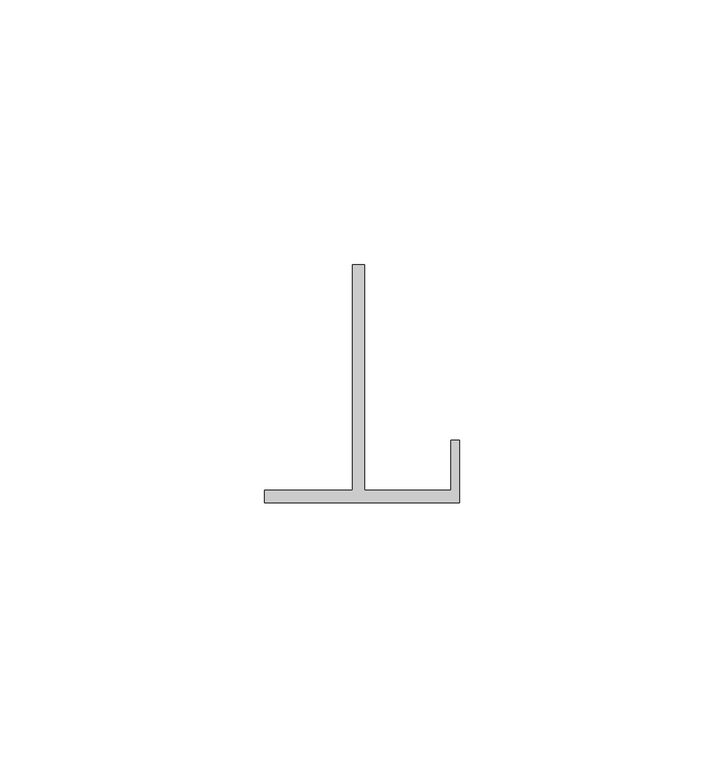
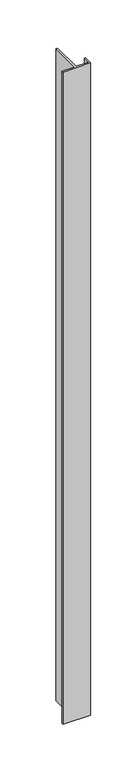
"""IFC4 building model written with IfcOpenShell, lengths in millimetres: proxy geometry."""

import ifcopenshell
import ifcopenshell.guid

model = None  # the IFC model being written
_history = None  # IfcOwnerHistory: only IFC2X3 demands one
_inside = {}  # id of a spatial element -> (the spatial element, [elements in it])
_under = {}  # id of a project, library or spatial element -> (it, [spatial elements below it])
_declared = {}  # id of a project -> (the project, [libraries it declares])
_typed = {}  # id of a type object -> (the type object, [elements of that type])
_made_of = {}  # id of a material, layer set ... -> (it, [elements and type objects made of it])


def new_model(schema):
    """Start an empty IFC model of exactly this schema.

    Asked for "IFC4X3", IfcOpenShell would pick the latest addendum, in which some entities
    have other attributes; the version numbers below select the first issue.
    IFC2X3 requires an IfcOwnerHistory on every rooted entity: one is made here for all.
    """
    global model, _history
    if schema == "IFC4X3":
        model = ifcopenshell.file(schema_version=(4, 3, 0, 0))
    else:
        model = ifcopenshell.file(schema=schema)
    _inside.clear()
    _under.clear()
    _declared.clear()
    _typed.clear()
    _made_of.clear()
    _history = None
    if model.schema == "IFC2X3":
        org = make("IfcOrganization", Name="unknown")
        user = make(
            "IfcPersonAndOrganization",
            ThePerson=make("IfcPerson", FamilyName="unknown"),
            TheOrganization=org,
        )
        app = make(
            "IfcApplication",
            ApplicationDeveloper=org,
            Version="unknown",
            ApplicationFullName="unknown",
            ApplicationIdentifier="unknown",
        )
        _history = make(
            "IfcOwnerHistory",
            OwningUser=user,
            OwningApplication=app,
            ChangeAction="ADDED",
            CreationDate=0,
        )
    return model


def make(cls, **values):
    """One entity of the class cls with the attributes given. An attribute that is None is left unset."""
    return model.create_entity(
        cls, **{name: value for name, value in values.items() if value is not None}
    )


def rooted(cls, **values):
    """An entity with a GlobalId (a new one), such as an element, a storey or a relation."""
    return make(cls, GlobalId=ifcopenshell.guid.new(), OwnerHistory=_history, **values)


def si_unit(unit_type, name, prefix=None):
    """IfcSIUnit, for example si_unit("LENGTHUNIT", "METRE", prefix="MILLI")."""
    return make("IfcSIUnit", UnitType=unit_type, Prefix=prefix, Name=name)


def assignment(units):
    """IfcUnitAssignment: the units of a project."""
    return None if units is None else make("IfcUnitAssignment", Units=units)


def point(xyz):
    """IfcCartesianPoint."""
    return None if xyz is None else make("IfcCartesianPoint", Coordinates=xyz)


def direction(xyz):
    """IfcDirection."""
    return None if xyz is None else make("IfcDirection", DirectionRatios=xyz)


def frame(location, z_axis=None, x_axis=None):
    """IfcAxis2Placement3D, a coordinate frame: its origin and axes. An axis left out is left unset."""
    return make(
        "IfcAxis2Placement3D",
        Location=point(location),
        Axis=direction(z_axis),
        RefDirection=direction(x_axis),
    )


def origin():
    """The frame at (0, 0, 0) with its axes left unset."""
    return frame((0.0, 0.0, 0.0))


def place(relative_to, where):
    """IfcLocalPlacement: puts the frame where relative to a parent placement (None: the world)."""
    return make(
        "IfcLocalPlacement", PlacementRelTo=relative_to, RelativePlacement=where
    )


def context(
    kind, dimensions, precision=None, world=None, true_north=None, identifier=None
):
    """IfcGeometricRepresentationContext, for example the 3D "Model" context."""
    return make(
        "IfcGeometricRepresentationContext",
        ContextIdentifier=identifier,
        ContextType=kind,
        CoordinateSpaceDimension=dimensions,
        Precision=precision,
        WorldCoordinateSystem=world,
        TrueNorth=true_north,
    )


def project(units=None, contexts=None):
    """IfcProject with its units and contexts."""
    return rooted(
        "IfcProject",
        Name="project",
        RepresentationContexts=contexts,
        UnitsInContext=assignment(units),
    )


def spatial(cls, under=None, at=None, **own):
    """A site, building, storey or space (cls), placed at a placement, below another one or the project."""
    s = rooted(cls, ObjectPlacement=at, **own)
    if under is not None:
        _under.setdefault(under.id(), (under, []))[1].append(s)
    return s


def polyline(points):
    """IfcPolyline through the points."""
    return make("IfcPolyline", Points=[point(p) for p in points])


def outline(outer, holes=None, kind="AREA"):
    """IfcArbitraryClosedProfileDef: a profile drawn as a closed curve; with holes, ...WithVoids."""
    if holes is None:
        return make("IfcArbitraryClosedProfileDef", ProfileType=kind, OuterCurve=outer)
    return make(
        "IfcArbitraryProfileDefWithVoids",
        ProfileType=kind,
        OuterCurve=outer,
        InnerCurves=holes,
    )


def extrude(swept, where, along, depth):
    """IfcExtrudedAreaSolid: the profile swept, set in the frame where, extruded along a direction by depth."""
    return make(
        "IfcExtrudedAreaSolid",
        SweptArea=swept,
        Position=where,
        ExtrudedDirection=direction(along),
        Depth=depth,
    )


def shape(context_of_items, identifier, shape_type, items):
    """IfcShapeRepresentation: the items that make up one representation, for example the "Body"."""
    return make(
        "IfcShapeRepresentation",
        ContextOfItems=context_of_items,
        RepresentationIdentifier=identifier,
        RepresentationType=shape_type,
        Items=items,
    )


def source(mapping_origin, context_of_items, identifier, shape_type, items):
    """IfcRepresentationMap: a shape defined once, which mapped items show again and again."""
    return make(
        "IfcRepresentationMap",
        MappingOrigin=mapping_origin,
        MappedRepresentation=shape(context_of_items, identifier, shape_type, items),
    )


def transform(
    local_origin,
    x_axis=None,
    y_axis=None,
    z_axis=None,
    scale=None,
    scale2=None,
    scale3=None,
    uniform=True,
):
    """IfcCartesianTransformationOperator3D, or its non-uniform kind. x_axis, y_axis, z_axis: its Axis1, 2, 3."""
    if uniform:
        return make(
            "IfcCartesianTransformationOperator3D",
            Axis1=direction(x_axis),
            Axis2=direction(y_axis),
            LocalOrigin=point(local_origin),
            Scale=scale,
            Axis3=direction(z_axis),
        )
    return make(
        "IfcCartesianTransformationOperator3DnonUniform",
        Axis1=direction(x_axis),
        Axis2=direction(y_axis),
        LocalOrigin=point(local_origin),
        Scale=scale,
        Axis3=direction(z_axis),
        Scale2=scale2,
        Scale3=scale3,
    )


def mapped(mapping_source, mapping_target):
    """IfcMappedItem: shows the shape of a source again, moved by a transform."""
    return make(
        "IfcMappedItem", MappingSource=mapping_source, MappingTarget=mapping_target
    )


def made_of(thing, what):
    """Note that an element or type object is made of a material, layer set ...; save() writes the relation."""
    if what is not None:
        _made_of.setdefault(what.id(), (what, []))[1].append(thing)
    return thing


def element(
    cls,
    number,
    at=None,
    inside=None,
    cuts=None,
    type_object=None,
    material=None,
    context=None,
    identifier="Body",
    shape_type=None,
    held_by="IfcProductDefinitionShape",
    body=None,
    shapes=None,
    **own,
):
    """One element of the class cls, such as IfcWall. Its Tag is "e" and its number.

    at: its placement. inside: the storey or other place that contains it. cuts: it is an
    opening in that element (IfcRelVoidsElement). A single representation is given by context,
    identifier, shape_type and body (its items); several are given by shapes. held_by: the class
    of the entity that holds the representations. save() writes the other relations.
    """
    e = rooted(cls, Tag="e%d" % number, ObjectPlacement=at, **own)
    if body is not None:
        shapes = [shape(context, identifier, shape_type, body)]
    if shapes is not None:
        e.Representation = make(held_by, Representations=shapes)
    if inside is not None:
        _inside.setdefault(inside.id(), (inside, []))[1].append(e)
    if cuts is not None:
        rooted(
            "IfcRelVoidsElement", RelatingBuildingElement=cuts, RelatedOpeningElement=e
        )
    if type_object is not None:
        _typed.setdefault(type_object.id(), (type_object, []))[1].append(e)
    return made_of(e, material)


def aggregate(whole, parts):
    """IfcRelAggregates: a whole, such as a stair, and the parts it consists of."""
    return rooted("IfcRelAggregates", RelatingObject=whole, RelatedObjects=parts)


def save(model, path):
    """Write the relations noted so far, then the file.

    IfcRelAggregates (storeys below a building ...), IfcRelContainedInSpatialStructure (elements
    in a storey), IfcRelDefinesByType, IfcRelAssociatesMaterial and IfcRelDeclares: one each for
    every whole, place, type object, material and project.
    """
    for whole, parts in _under.values():
        aggregate(whole, parts)
    for where, things in _inside.values():
        rooted(
            "IfcRelContainedInSpatialStructure",
            RelatedElements=things,
            RelatingStructure=where,
        )
    for kind, things in _typed.values():
        rooted("IfcRelDefinesByType", RelatedObjects=things, RelatingType=kind)
    for what, things in _made_of.values():
        rooted("IfcRelAssociatesMaterial", RelatedObjects=things, RelatingMaterial=what)
    for by, libraries in _declared.values():
        rooted("IfcRelDeclares", RelatingContext=by, RelatedDefinitions=libraries)
    model.write(path)


def generic_models_59b80601(model_context):
    return source(origin(), model_context, "Body", "SweptSolid", [
        extrude(outline(polyline([(37278.1942622, -23883.8740875), (37278.1942622, -23926.5682316), (37294.5094777, -23926.5682316), (37294.5094777, -23917.0382902), (37296.1105979, -23917.0382902), (37296.1105979, -23928.8554213), (37259.2295785, -23928.8554213), (37259.2295785, -23926.5682316), (37275.9069754, -23926.5682316), (37275.9069754, -23883.8740875), (37278.1942622, -23883.8740875)])), frame((0.0, 0.0, 1524.0), z_axis=(0.0, 0.0, 1.0), x_axis=(1.0, 0.0, 0.0)), (0.0, 0.0, 1.0), 914.4),
    ])


if __name__ == "__main__":
    model = new_model("IFC4")
    model_context = context("Model", 3, world=origin())
    ifc_project = project(units=[si_unit("LENGTHUNIT", "METRE", prefix="MILLI")], contexts=[model_context])
    site = spatial("IfcSite", under=ifc_project)
    building = spatial("IfcBuilding", under=site)
    placement = place(None, origin())
    generic_models_shape = generic_models_59b80601(model_context)
    element("IfcBuildingElementProxy", 1, Name="Generic Models", at=placement, inside=building, context=model_context, shape_type="MappedRepresentation", body=[
        mapped(generic_models_shape, transform((0.0, 0.0, 0.0), x_axis=(1.0, 0.0, 0.0), y_axis=(0.0, 1.0, 0.0), z_axis=(0.0, 0.0, 1.0))),
    ])
    save(model, "model.ifc")
